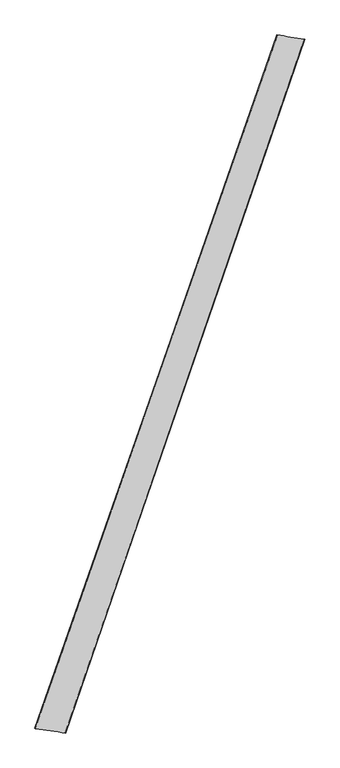
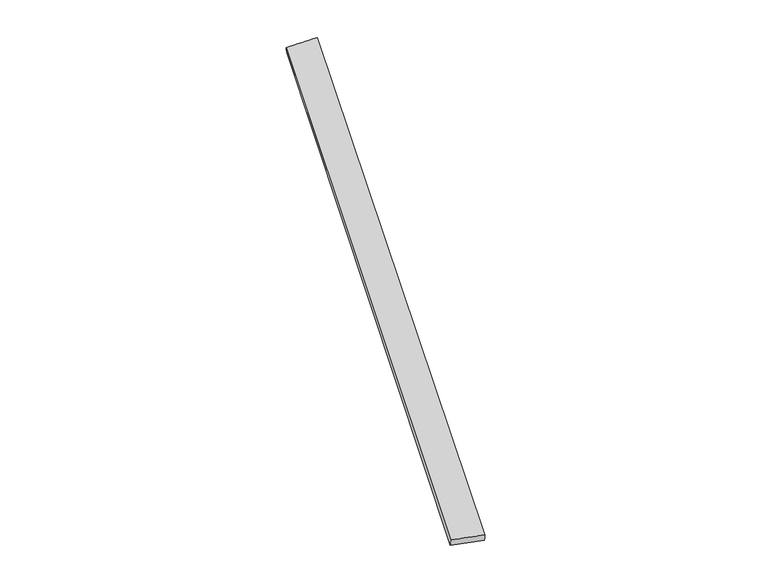
"""IFC4 building model written with IfcOpenShell, lengths in millimetres: proxy geometry."""

import ifcopenshell
import ifcopenshell.guid

model = None  # the IFC model being written
_history = None  # IfcOwnerHistory: only IFC2X3 demands one
_inside = {}  # id of a spatial element -> (the spatial element, [elements in it])
_under = {}  # id of a project, library or spatial element -> (it, [spatial elements below it])
_declared = {}  # id of a project -> (the project, [libraries it declares])
_typed = {}  # id of a type object -> (the type object, [elements of that type])
_made_of = {}  # id of a material, layer set ... -> (it, [elements and type objects made of it])


def new_model(schema):
    """Start an empty IFC model of exactly this schema.

    Asked for "IFC4X3", IfcOpenShell would pick the latest addendum, in which some entities
    have other attributes; the version numbers below select the first issue.
    IFC2X3 requires an IfcOwnerHistory on every rooted entity: one is made here for all.
    """
    global model, _history
    if schema == "IFC4X3":
        model = ifcopenshell.file(schema_version=(4, 3, 0, 0))
    else:
        model = ifcopenshell.file(schema=schema)
    _inside.clear()
    _under.clear()
    _declared.clear()
    _typed.clear()
    _made_of.clear()
    _history = None
    if model.schema == "IFC2X3":
        org = make("IfcOrganization", Name="unknown")
        user = make(
            "IfcPersonAndOrganization",
            ThePerson=make("IfcPerson", FamilyName="unknown"),
            TheOrganization=org,
        )
        app = make(
            "IfcApplication",
            ApplicationDeveloper=org,
            Version="unknown",
            ApplicationFullName="unknown",
            ApplicationIdentifier="unknown",
        )
        _history = make(
            "IfcOwnerHistory",
            OwningUser=user,
            OwningApplication=app,
            ChangeAction="ADDED",
            CreationDate=0,
        )
    return model


def make(cls, **values):
    """One entity of the class cls with the attributes given. An attribute that is None is left unset."""
    return model.create_entity(
        cls, **{name: value for name, value in values.items() if value is not None}
    )


def rooted(cls, **values):
    """An entity with a GlobalId (a new one), such as an element, a storey or a relation."""
    return make(cls, GlobalId=ifcopenshell.guid.new(), OwnerHistory=_history, **values)


def si_unit(unit_type, name, prefix=None):
    """IfcSIUnit, for example si_unit("LENGTHUNIT", "METRE", prefix="MILLI")."""
    return make("IfcSIUnit", UnitType=unit_type, Prefix=prefix, Name=name)


def assignment(units):
    """IfcUnitAssignment: the units of a project."""
    return None if units is None else make("IfcUnitAssignment", Units=units)


def point(xyz):
    """IfcCartesianPoint."""
    return None if xyz is None else make("IfcCartesianPoint", Coordinates=xyz)


def direction(xyz):
    """IfcDirection."""
    return None if xyz is None else make("IfcDirection", DirectionRatios=xyz)


def frame(location, z_axis=None, x_axis=None):
    """IfcAxis2Placement3D, a coordinate frame: its origin and axes. An axis left out is left unset."""
    return make(
        "IfcAxis2Placement3D",
        Location=point(location),
        Axis=direction(z_axis),
        RefDirection=direction(x_axis),
    )


def origin():
    """The frame at (0, 0, 0) with its axes left unset."""
    return frame((0.0, 0.0, 0.0))


def place(relative_to, where):
    """IfcLocalPlacement: puts the frame where relative to a parent placement (None: the world)."""
    return make(
        "IfcLocalPlacement", PlacementRelTo=relative_to, RelativePlacement=where
    )


def context(
    kind, dimensions, precision=None, world=None, true_north=None, identifier=None
):
    """IfcGeometricRepresentationContext, for example the 3D "Model" context."""
    return make(
        "IfcGeometricRepresentationContext",
        ContextIdentifier=identifier,
        ContextType=kind,
        CoordinateSpaceDimension=dimensions,
        Precision=precision,
        WorldCoordinateSystem=world,
        TrueNorth=true_north,
    )


def project(units=None, contexts=None):
    """IfcProject with its units and contexts."""
    return rooted(
        "IfcProject",
        Name="project",
        RepresentationContexts=contexts,
        UnitsInContext=assignment(units),
    )


def spatial(cls, under=None, at=None, **own):
    """A site, building, storey or space (cls), placed at a placement, below another one or the project."""
    s = rooted(cls, ObjectPlacement=at, **own)
    if under is not None:
        _under.setdefault(under.id(), (under, []))[1].append(s)
    return s


def shape(context_of_items, identifier, shape_type, items):
    """IfcShapeRepresentation: the items that make up one representation, for example the "Body"."""
    return make(
        "IfcShapeRepresentation",
        ContextOfItems=context_of_items,
        RepresentationIdentifier=identifier,
        RepresentationType=shape_type,
        Items=items,
    )


def source(mapping_origin, context_of_items, identifier, shape_type, items):
    """IfcRepresentationMap: a shape defined once, which mapped items show again and again."""
    return make(
        "IfcRepresentationMap",
        MappingOrigin=mapping_origin,
        MappedRepresentation=shape(context_of_items, identifier, shape_type, items),
    )


def transform(
    local_origin,
    x_axis=None,
    y_axis=None,
    z_axis=None,
    scale=None,
    scale2=None,
    scale3=None,
    uniform=True,
):
    """IfcCartesianTransformationOperator3D, or its non-uniform kind. x_axis, y_axis, z_axis: its Axis1, 2, 3."""
    if uniform:
        return make(
            "IfcCartesianTransformationOperator3D",
            Axis1=direction(x_axis),
            Axis2=direction(y_axis),
            LocalOrigin=point(local_origin),
            Scale=scale,
            Axis3=direction(z_axis),
        )
    return make(
        "IfcCartesianTransformationOperator3DnonUniform",
        Axis1=direction(x_axis),
        Axis2=direction(y_axis),
        LocalOrigin=point(local_origin),
        Scale=scale,
        Axis3=direction(z_axis),
        Scale2=scale2,
        Scale3=scale3,
    )


def mapped(mapping_source, mapping_target):
    """IfcMappedItem: shows the shape of a source again, moved by a transform."""
    return make(
        "IfcMappedItem", MappingSource=mapping_source, MappingTarget=mapping_target
    )


def made_of(thing, what):
    """Note that an element or type object is made of a material, layer set ...; save() writes the relation."""
    if what is not None:
        _made_of.setdefault(what.id(), (what, []))[1].append(thing)
    return thing


def element(
    cls,
    number,
    at=None,
    inside=None,
    cuts=None,
    type_object=None,
    material=None,
    context=None,
    identifier="Body",
    shape_type=None,
    held_by="IfcProductDefinitionShape",
    body=None,
    shapes=None,
    **own,
):
    """One element of the class cls, such as IfcWall. Its Tag is "e" and its number.

    at: its placement. inside: the storey or other place that contains it. cuts: it is an
    opening in that element (IfcRelVoidsElement). A single representation is given by context,
    identifier, shape_type and body (its items); several are given by shapes. held_by: the class
    of the entity that holds the representations. save() writes the other relations.
    """
    e = rooted(cls, Tag="e%d" % number, ObjectPlacement=at, **own)
    if body is not None:
        shapes = [shape(context, identifier, shape_type, body)]
    if shapes is not None:
        e.Representation = make(held_by, Representations=shapes)
    if inside is not None:
        _inside.setdefault(inside.id(), (inside, []))[1].append(e)
    if cuts is not None:
        rooted(
            "IfcRelVoidsElement", RelatingBuildingElement=cuts, RelatedOpeningElement=e
        )
    if type_object is not None:
        _typed.setdefault(type_object.id(), (type_object, []))[1].append(e)
    return made_of(e, material)


def aggregate(whole, parts):
    """IfcRelAggregates: a whole, such as a stair, and the parts it consists of."""
    return rooted("IfcRelAggregates", RelatingObject=whole, RelatedObjects=parts)


def save(model, path):
    """Write the relations noted so far, then the file.

    IfcRelAggregates (storeys below a building ...), IfcRelContainedInSpatialStructure (elements
    in a storey), IfcRelDefinesByType, IfcRelAssociatesMaterial and IfcRelDeclares: one each for
    every whole, place, type object, material and project.
    """
    for whole, parts in _under.values():
        aggregate(whole, parts)
    for where, things in _inside.values():
        rooted(
            "IfcRelContainedInSpatialStructure",
            RelatedElements=things,
            RelatingStructure=where,
        )
    for kind, things in _typed.values():
        rooted("IfcRelDefinesByType", RelatedObjects=things, RelatingType=kind)
    for what, things in _made_of.values():
        rooted("IfcRelAssociatesMaterial", RelatedObjects=things, RelatingMaterial=what)
    for by, libraries in _declared.values():
        rooted("IfcRelDeclares", RelatingContext=by, RelatedDefinitions=libraries)
    model.write(path)


def spline_surface(u_degree, v_degree, points, u_multiplicities, v_multiplicities, u_knots, v_knots, weights=None):
    """IfcBSplineSurfaceWithKnots; with weights, IfcRationalBSplineSurfaceWithKnots. points: one row for each step in u."""
    own = dict(
        UDegree=u_degree,
        VDegree=v_degree,
        ControlPointsList=[[point(p) for p in row] for row in points],
        SurfaceForm="UNSPECIFIED",
        UClosed=False,
        VClosed=False,
        SelfIntersect=False,
        UMultiplicities=u_multiplicities,
        VMultiplicities=v_multiplicities,
        UKnots=u_knots,
        VKnots=v_knots,
        KnotSpec="UNSPECIFIED",
    )
    if weights is None:
        return make("IfcBSplineSurfaceWithKnots", **own)
    return make("IfcRationalBSplineSurfaceWithKnots", WeightsData=weights, **own)


def advanced_brep(points, edges, surfaces, faces):
    """IfcAdvancedBrep: a solid bounded by faces that lie on surfaces and meet in shared edges.

    An edge is (start, end): straight between two places in points (the first is 0);
    or (start, end, curve); or (start, end, curve, False) where it runs against its curve.
    A face is (place in surfaces, loops), or (place, loops, False) where it looks against
    its surface's normal. A loop lists edges by number (the first is 1), with a minus sign
    where the edge is run from its end to its start. The first loop is the outer one.
    """
    corners = [point(p) for p in points]
    vertices = [make("IfcVertexPoint", VertexGeometry=c) for c in corners]
    made = []
    for start, end, *more in edges:
        made.append(
            make(
                "IfcEdgeCurve",
                EdgeStart=vertices[start],
                EdgeEnd=vertices[end],
                EdgeGeometry=more[0] if more else make("IfcPolyline", Points=[corners[start], corners[end]]),
                SameSense=more[1] if len(more) > 1 else True,
            )
        )
    hull = []
    for where, loops, *sense in faces:
        bounds = []
        for j, loop in enumerate(loops):
            ring = [make("IfcOrientedEdge", EdgeElement=made[abs(k) - 1], Orientation=k > 0) for k in loop]
            bounds.append(
                make(
                    "IfcFaceOuterBound" if j == 0 else "IfcFaceBound",
                    Bound=make("IfcEdgeLoop", EdgeList=ring),
                    Orientation=True,
                )
            )
        hull.append(make("IfcAdvancedFace", Bounds=bounds, FaceSurface=surfaces[where], SameSense=sense[0] if sense else True))
    return make("IfcAdvancedBrep", Outer=make("IfcClosedShell", CfsFaces=hull))


def generic_models_f7a1c25d(model_context):
    return source(origin(), model_context, "Body", "AdvancedBrep", [
        advanced_brep(
        [(-679.205683, -1720.654397, 8.0219855), (-676.3195372, -1721.5344127, 37.869862), (664.7481106, 2126.121737, 20.6715396), (669.0235299, 2124.4915617, -8.9774624), (-507.2616848, -1746.4695156, 21.8435595), (817.652915, 2102.2959368, 38.873935), (-509.8820812, -1745.4316178, -8.0237519), (820.0642343, 2101.5944531, 8.9792288)],
        [
            (0, 1),
            (1, 2),
            (2, 3),
            (3, 0),
            (1, 4),
            (4, 5),
            (5, 2),
            (4, 6),
            (6, 7),
            (7, 5),
            (6, 0),
            (3, 7),
        ],
        [
            spline_surface(1, 1, [[(-679.205683, -1720.654397, 8.0219855), (669.0235299, 2124.4915617, -8.9774624)], [(-676.3195372, -1721.5344127, 37.869862), (664.7481106, 2126.121737, 20.6715396)]], [2, 2], [2, 2], [0.0, 1.0], [0.0, 1.0]),
            spline_surface(1, 1, [[(-676.3195372, -1721.5344127, 37.869862), (664.7481106, 2126.121737, 20.6715396)], [(-507.2616848, -1746.4695156, 21.8435595), (817.652915, 2102.2959368, 38.873935)]], [2, 2], [2, 2], [0.0, 1.0], [0.0, 1.0]),
            spline_surface(1, 1, [[(-507.2616848, -1746.4695156, 21.8435595), (817.652915, 2102.2959368, 38.873935)], [(-509.8820812, -1745.4316178, -8.0237519), (820.0642343, 2101.5944531, 8.9792288)]], [2, 2], [2, 2], [0.0, 1.0], [0.0, 1.0]),
            spline_surface(1, 1, [[(-509.8820812, -1745.4316178, -8.0237519), (820.0642343, 2101.5944531, 8.9792288)], [(-679.205683, -1720.654397, 8.0219855), (669.0235299, 2124.4915617, -8.9774624)]], [2, 2], [2, 2], [0.0, 1.0], [0.0, 1.0]),
            spline_surface(1, 1, [[(664.7481106, 2126.121737, 20.6715396), (669.0235299, 2124.4915617, -8.9774624)], [(817.652915, 2102.2959368, 38.873935), (820.0642343, 2101.5944531, 8.9792288)]], [2, 2], [2, 2], [0.0, 1.0], [0.0, 1.0]),
            spline_surface(1, 1, [[(-509.8820812, -1745.4316178, -8.0237519), (-679.205683, -1720.654397, 8.0219855)], [(-507.2616848, -1746.4695156, 21.8435595), (-676.3195372, -1721.5344127, 37.869862)]], [2, 2], [2, 2], [0.0, 1.0], [0.0, 1.0]),
        ],
        [
            (0, [[1, 2, 3, 4]]),
            (1, [[5, 6, 7, -2]]),
            (2, [[8, 9, 10, -6]]),
            (3, [[11, -4, 12, -9]]),
            (4, [[-3, -7, -10, -12]]),
            (5, [[-11, -8, -5, -1]]),
        ],
    ),
    ])


if __name__ == "__main__":
    model = new_model("IFC4")
    model_context = context("Model", 3, world=origin())
    ifc_project = project(units=[si_unit("LENGTHUNIT", "METRE", prefix="MILLI")], contexts=[model_context])
    site = spatial("IfcSite", under=ifc_project)
    building = spatial("IfcBuilding", under=site)
    placement = place(None, origin())
    generic_models_shape = generic_models_f7a1c25d(model_context)
    element("IfcBuildingElementProxy", 1, Name="Generic Models", at=placement, inside=building, context=model_context, shape_type="MappedRepresentation", body=[
        mapped(generic_models_shape, transform((0.0, 0.0, 0.0), x_axis=(1.0, 0.0, 0.0), y_axis=(0.0, 1.0, 0.0), z_axis=(0.0, 0.0, 1.0))),
    ])
    save(model, "model.ifc")
